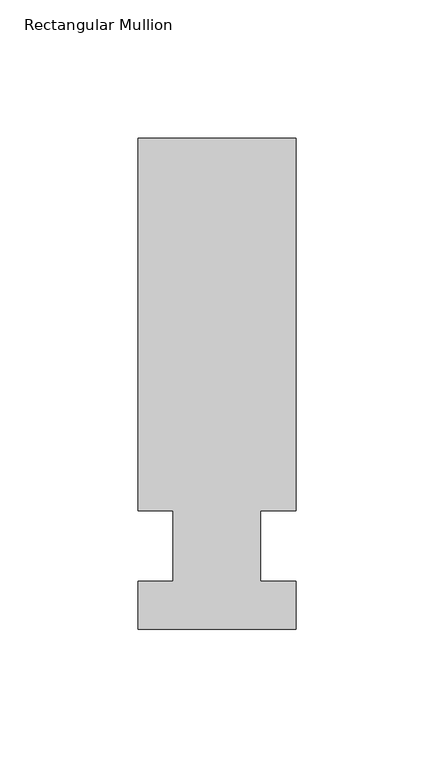
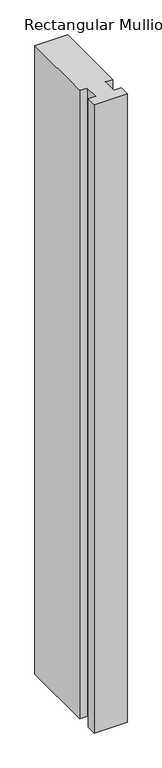
"""IFC4 building model written with IfcOpenShell, lengths in millimetres: member geometry, Rectangular Mullion."""

from ifc_helpers import new_model, si_unit, frame, origin, place, context, project, spatial, polyline, outline, extrude, source, transform, mapped, element, save


def rectangular_mullion_1b81eee9(model_context):
    return source(origin(), model_context, "Body", "SweptSolid", [
        extrude(outline(polyline([(28.575, 147.6375), (28.575, 12.7), (15.8732296, 12.7), (15.8732296, -12.7), (28.575, -12.7), (28.575, -30.1625), (-28.575, -30.1625), (-28.575, -12.7), (-15.875, -12.7), (-15.875, 12.7), (-28.575, 12.7), (-28.575, 147.6375), (28.575, 147.6375)])), frame((0.0, 0.0, -1152.525), z_axis=(0.0, 0.0, 1.0), x_axis=(1.0, 0.0, 0.0)), (0.0, 0.0, 1.0), 1152.525),
    ])


if __name__ == "__main__":
    model = new_model("IFC4")
    model_context = context("Model", 3, world=origin())
    ifc_project = project(units=[si_unit("LENGTHUNIT", "METRE", prefix="MILLI")], contexts=[model_context])
    site = spatial("IfcSite", under=ifc_project)
    building = spatial("IfcBuilding", under=site)
    placement = place(None, origin())
    rectangular_mullion_shape = rectangular_mullion_1b81eee9(model_context)
    element("IfcMember", 1, ObjectType="Rectangular Mullion", at=placement, inside=building, context=model_context, shape_type="MappedRepresentation", body=[
        mapped(rectangular_mullion_shape, transform((0.0, 0.0, 0.0), x_axis=(1.0, 0.0, 0.0), y_axis=(0.0, 1.0, 0.0), z_axis=(0.0, 0.0, 1.0))),
    ])
    save(model, "model.ifc")
